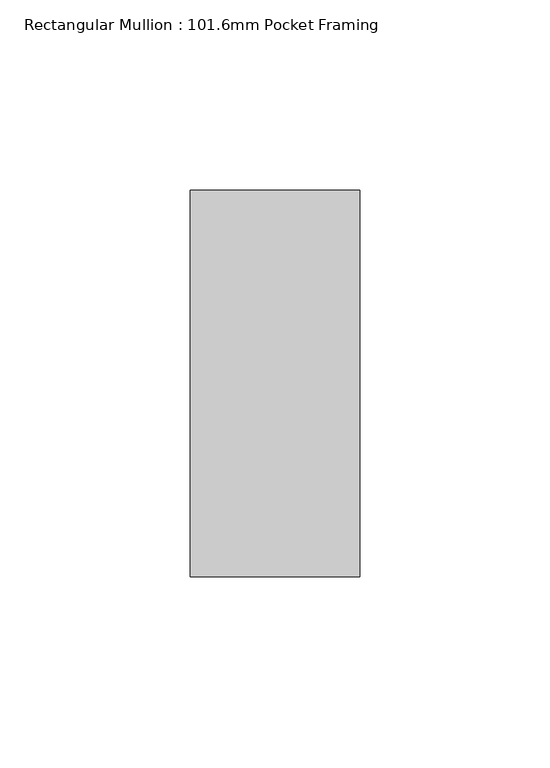
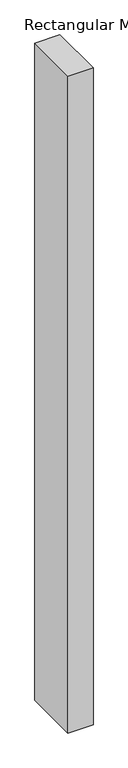
"""IFC4 building model written with IfcOpenShell, lengths in millimetres: member geometry, Rectangular Mullion : 101.6mm Pocket Framing."""

from ifc_helpers import new_model, si_unit, frame, origin, place, context, project, spatial, polyline, outline, extrude, source, transform, mapped, element, save


def rectangular_mullion_101_6mm_pocket_framing_f6936da2(model_context):
    return source(origin(), model_context, "Body", "SweptSolid", [
        extrude(outline(polyline([(0.0, 50.8), (0.0, -50.8), (-44.5, -50.8), (-44.5, 50.8), (0.0, 50.8)])), frame((0.0, 0.0, -1233.2), z_axis=(0.0, 0.0, 1.0), x_axis=(1.0, 0.0, 0.0)), (0.0, 0.0, 1.0), 1233.2),
    ])


if __name__ == "__main__":
    model = new_model("IFC4")
    model_context = context("Model", 3, world=origin())
    ifc_project = project(units=[si_unit("LENGTHUNIT", "METRE", prefix="MILLI")], contexts=[model_context])
    site = spatial("IfcSite", under=ifc_project)
    building = spatial("IfcBuilding", under=site)
    placement = place(None, origin())
    rectangular_mullion_101_6mm_pocket_framing_shape = rectangular_mullion_101_6mm_pocket_framing_f6936da2(model_context)
    element("IfcMember", 1, ObjectType="Rectangular Mullion : 101.6mm Pocket Framing", at=placement, inside=building, context=model_context, shape_type="MappedRepresentation", body=[
        mapped(rectangular_mullion_101_6mm_pocket_framing_shape, transform((0.0, 0.0, 0.0), x_axis=(1.0, 0.0, 0.0), y_axis=(0.0, 1.0, 0.0), z_axis=(0.0, 0.0, 1.0))),
    ])
    save(model, "model.ifc")
